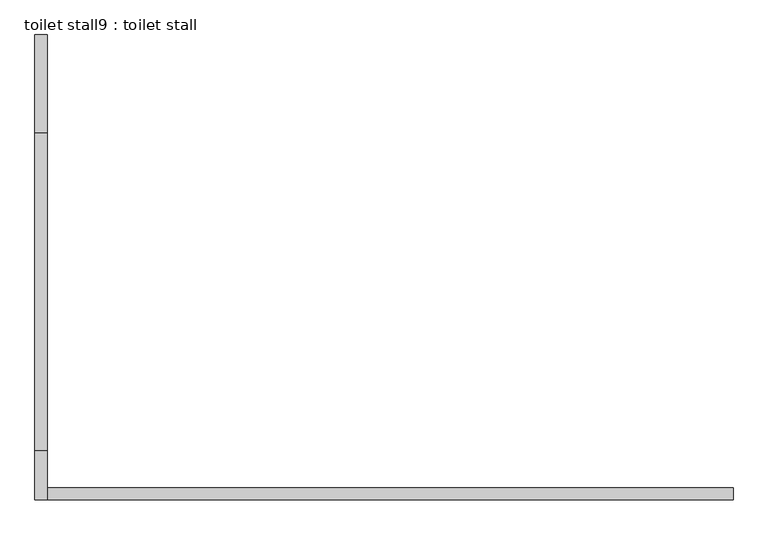
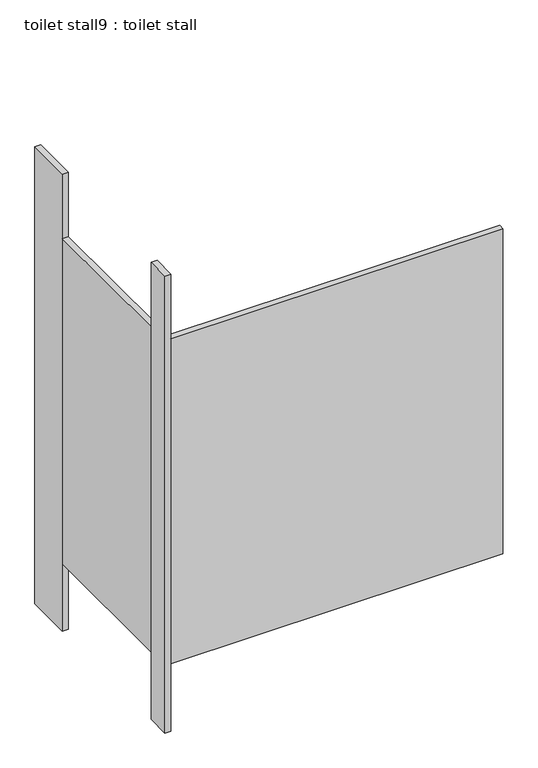
"""IFC4 building model written with IfcOpenShell, lengths in millimetres: proxy geometry, toilet stall9 : toilet stall."""

from ifc_helpers import new_model, si_unit, frame, origin, origin_with_axes, place, context, project, spatial, polyline, outline, extrude, source, transform, mapped, element, save


def toilet_stall9_toilet_stall_5efea026(model_context):
    return source(origin(), model_context, "Body", "SweptSolid", [
        extrude(outline(polyline([(454658.2004676, -273415.8988632), (454632.8004676, -273415.8988632), (454632.8004676, -273212.6988632), (454658.2004676, -273212.6988632), (454658.2004676, -273415.8988632)])), origin_with_axes(), (0.0, 0.0, 1.0), 2070.1),
        extrude(outline(polyline([(454658.2004676, -274177.8988632), (454632.8004676, -274177.8988632), (454632.8004676, -274076.2988632), (454658.2004676, -274076.2988632), (454658.2004676, -274177.8988632)])), origin_with_axes(), (0.0, 0.0, 1.0), 2070.1),
        extrude(outline(polyline([(454658.2004676, -274177.8988632), (454658.2004676, -274152.4988632), (456080.6004676, -274152.4988632), (456080.6004676, -274177.8988632), (454658.2004676, -274177.8988632)])), frame((0.0, 0.0, 304.8), z_axis=(0.0, 0.0, 1.0), x_axis=(1.0, 0.0, 0.0)), (0.0, 0.0, 1.0), 1473.2),
        extrude(outline(polyline([(454658.2004676, -274076.2988632), (454632.8004676, -274076.2988632), (454632.8004676, -273415.8988632), (454658.2004676, -273415.8988632), (454658.2004676, -274076.2988632)])), frame((0.0, 0.0, 304.8), z_axis=(0.0, 0.0, 1.0), x_axis=(1.0, 0.0, 0.0)), (0.0, 0.0, 1.0), 1473.2),
    ])


if __name__ == "__main__":
    model = new_model("IFC4")
    model_context = context("Model", 3, world=origin())
    ifc_project = project(units=[si_unit("LENGTHUNIT", "METRE", prefix="MILLI")], contexts=[model_context])
    site = spatial("IfcSite", under=ifc_project)
    building = spatial("IfcBuilding", under=site)
    placement = place(None, origin())
    toilet_stall9_toilet_stall_shape = toilet_stall9_toilet_stall_5efea026(model_context)
    element("IfcBuildingElementProxy", 1, Name="toilet stall9 : toilet stall", ObjectType="toilet stall9 : toilet stall", at=placement, inside=building, context=model_context, shape_type="MappedRepresentation", body=[
        mapped(toilet_stall9_toilet_stall_shape, transform((0.0, 0.0, 0.0), x_axis=(1.0, 0.0, 0.0), y_axis=(0.0, 1.0, 0.0), z_axis=(0.0, 0.0, 1.0))),
    ])
    save(model, "model.ifc")
